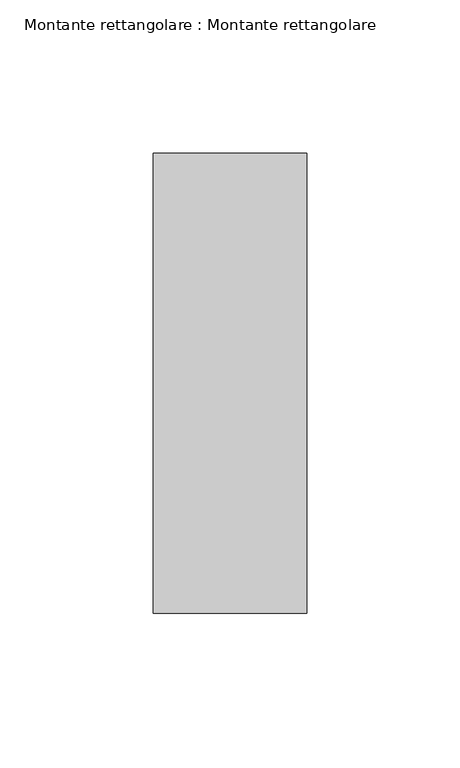
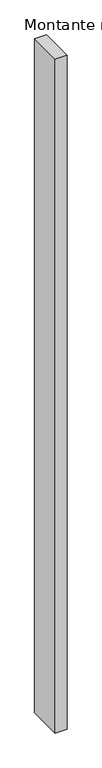
"""IFC4 building model written with IfcOpenShell, lengths in millimetres: member geometry, Montante rettangolare : Montante rettangolare."""

from ifc_helpers import new_model, si_unit, frame, origin, place, context, project, spatial, polyline, outline, extrude, source, transform, mapped, element, save


def montante_rettangolare_montante_rettangolare_6c7cb899(model_context):
    return source(origin(), model_context, "Body", "SweptSolid", [
        extrude(outline(polyline([(25.0, 75.0), (25.0, -75.0), (-25.0, -75.0), (-25.0, 75.0), (25.0, 75.0)])), frame((0.0, 0.0, -3000.0), z_axis=(0.0, 0.0, 1.0), x_axis=(1.0, 0.0, 0.0)), (0.0, 0.0, 1.0), 3000.0),
    ])


if __name__ == "__main__":
    model = new_model("IFC4")
    model_context = context("Model", 3, world=origin())
    ifc_project = project(units=[si_unit("LENGTHUNIT", "METRE", prefix="MILLI")], contexts=[model_context])
    site = spatial("IfcSite", under=ifc_project)
    building = spatial("IfcBuilding", under=site)
    placement = place(None, origin())
    montante_rettangolare_montante_rettangolare_shape = montante_rettangolare_montante_rettangolare_6c7cb899(model_context)
    element("IfcMember", 1, ObjectType="Montante rettangolare : Montante rettangolare", at=placement, inside=building, context=model_context, shape_type="MappedRepresentation", body=[
        mapped(montante_rettangolare_montante_rettangolare_shape, transform((0.0, 0.0, 0.0), x_axis=(1.0, 0.0, 0.0), y_axis=(0.0, 1.0, 0.0), z_axis=(0.0, 0.0, 1.0))),
    ])
    save(model, "model.ifc")
